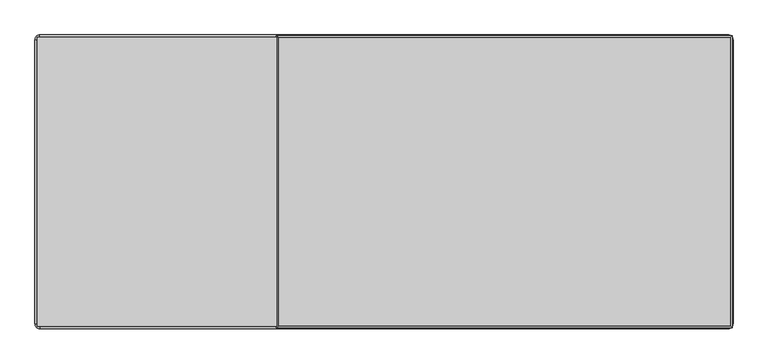
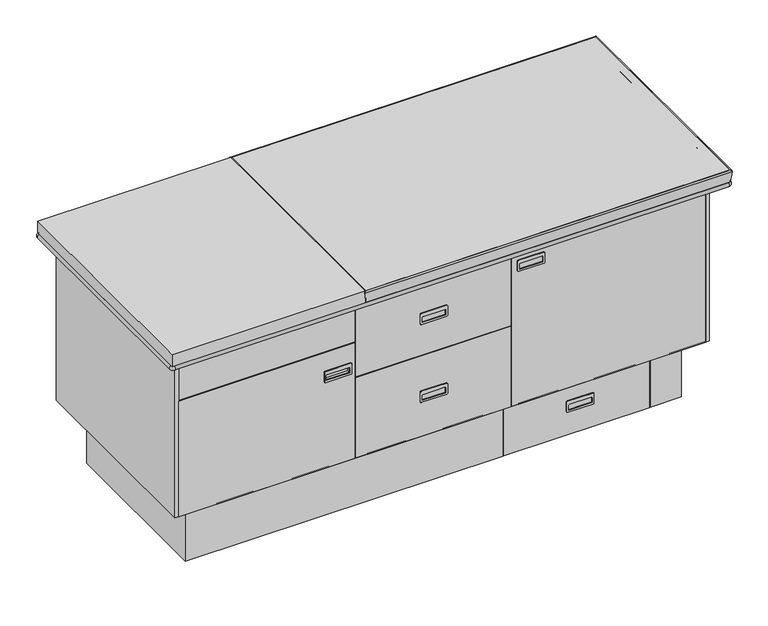
"""IFC4 building model written with IfcOpenShell, lengths in millimetres: furniture geometry."""

from ifc_helpers import new_model, si_unit, point, frame, frame_2d, origin, origin_with_axes, place, context, project, spatial, polyline, circle_curve, ellipse_curve, trimmed, segment, composite_curve, outline, extrude, faceted_brep, source, transform, mapped, element, save
from ifc_brep_helpers import plane_surface, cylinder_surface, revolved_surface, advanced_brep


def furniture_afdda818(model_context):
    return source(origin(), model_context, "Body", "SolidModel", [
        extrude(outline(composite_curve([segment(trimmed(circle_curve(frame_2d((82.6155996, 521.9484942)), 3.175), [point((79.4405996, 521.9484942))], [point((82.6155996, 525.1234942))], False, "CARTESIAN"), True, "CONTINUOUS"), segment(polyline([(82.6155996, 525.1234942), (114.3655996, 525.1234942)]), True, "CONTINUOUS"), segment(trimmed(circle_curve(frame_2d((114.3655996, 521.9484942)), 3.175), [point((114.3655996, 525.1234942))], [point((117.5405996, 521.9484942))], False, "CARTESIAN"), True, "CONTINUOUS"), segment(polyline([(117.5405996, 521.9484942), (117.5405996, 439.3984942)]), True, "CONTINUOUS"), segment(trimmed(circle_curve(frame_2d((114.3655996, 439.3984942)), 3.175), [point((117.5405996, 439.3984942))], [point((114.3655996, 436.2234942))], False, "CARTESIAN"), True, "CONTINUOUS"), segment(polyline([(114.3655996, 436.2234942), (82.6155996, 436.2234942)]), True, "CONTINUOUS"), segment(trimmed(circle_curve(frame_2d((82.6155996, 439.3984942)), 3.175), [point((82.6155996, 436.2234942))], [point((79.4405996, 439.3984942))], False, "CARTESIAN"), True, "CONTINUOUS"), segment(polyline([(79.4405996, 439.3984942), (79.4405996, 521.9484942)]), True, "CONTINUOUS")], self_intersect=False), holes=[composite_curve([segment(polyline([(85.7905996, 518.7734942), (85.7905996, 442.5734942), (101.6655996, 442.5734942)]), True, "CONTINUOUS"), segment(trimmed(circle_curve(frame_2d((101.6655996, 445.7484942)), 3.175), [point((101.6655996, 442.5734942))], [point((104.8405996, 445.7484942))], True, "CARTESIAN"), True, "CONTINUOUS"), segment(polyline([(104.8405996, 445.7484942), (104.8405996, 515.5984942)]), True, "CONTINUOUS"), segment(trimmed(circle_curve(frame_2d((101.6655996, 515.5984942)), 3.175), [point((104.8405996, 515.5984942))], [point((101.6655996, 518.7734942))], True, "CARTESIAN"), True, "CONTINUOUS"), segment(polyline([(101.6655996, 518.7734942), (85.7905996, 518.7734942)]), True, "CONTINUOUS")], self_intersect=False)]), frame((0.0, -282.575, 0.0), z_axis=(0.0, 1.0, 0.0), x_axis=(0.0, 0.0, 1.0)), (0.0, 0.0, 1.0), 3.175),
        advanced_brep(
        [(-279.4, 381.0, 771.525), (-279.4, 381.0, 812.7512583), (-279.4, -381.0, 812.7512583), (-279.4, -381.0, 771.525), (-283.9255753, 385.5255753, 808.382853), (-283.9255753, -385.5255753, 808.382853), (914.4, -381.0, 812.7512583), (914.4, -381.0, 771.525), (918.9255753, -385.5255753, 808.382853), (914.4, 381.0, 812.7512583), (914.4, 381.0, 771.525), (918.9255753, 385.5255753, 808.382853)],
        [
            (0, 1),
            (1, 2),
            (2, 3),
            (3, 0),
            (4, 0),
            (3, 5),
            (5, 4),
            (1, 4, ellipse_curve(frame((-280.0176138, 381.6176138, 808.8626904), z_axis=(-0.7071067811865475, -0.7071067811865475, 0.0), x_axis=(-0.7071067811865474, 0.7071067811865476, 0.0)), 5.5681967, 3.9373096)),
            (5, 2, ellipse_curve(frame((-280.0176138, -381.6176138, 808.8626904), z_axis=(-0.7071067811865475, 0.7071067811865475, 0.0), x_axis=(0.7071067811865474, 0.7071067811865476, 0.0)), 5.5681967, 3.9373096)),
            (2, 6),
            (6, 7),
            (7, 3),
            (7, 8),
            (8, 5),
            (8, 6, ellipse_curve(frame((915.0176138, -381.6176138, 808.8626904), z_axis=(-0.7071067811865475, -0.7071067811865475, 0.0), x_axis=(-0.7071067811865476, 0.7071067811865474, 0.0)), 5.5681967, 3.9373096)),
            (6, 9),
            (9, 10),
            (10, 7),
            (10, 11),
            (11, 8),
            (11, 9, ellipse_curve(frame((915.0176138, 381.6176138, 808.8626904), z_axis=(0.7071067811865475, -0.7071067811865475, 0.0), x_axis=(-0.7071067811865474, -0.7071067811865476, 0.0)), 5.5681967, 3.9373096)),
            (9, 1),
            (0, 10),
            (4, 11),
        ],
        [
            plane_surface(frame((-279.4, 381.0, 812.7512583), z_axis=(1.0, 0.0, 0.0), x_axis=(0.0, -1.0, 0.0))),
            plane_surface(frame((-279.4, 381.0, 771.525), z_axis=(-0.9925461516413222, 0.0, -0.12186934340514588), x_axis=(0.0, -1.0, 0.0))),
            cylinder_surface(frame((-280.0176138, 381.0, 808.8626904), z_axis=(0.0, 1.0, 0.0), x_axis=(-1.0, 0.0, 0.0)), 3.9373096),
            plane_surface(frame((-279.4, -381.0, 812.7512583), z_axis=(0.0, 1.0, 0.0), x_axis=(1.0, 0.0, 0.0))),
            plane_surface(frame((-279.4, -381.0, 771.525), z_axis=(0.0, -0.9925461516413222, -0.12186934340514588), x_axis=(1.0, 0.0, 0.0))),
            cylinder_surface(frame((-279.4, -381.6176138, 808.8626904), z_axis=(-1.0, 0.0, 0.0), x_axis=(0.0, -1.0, 0.0)), 3.9373096),
            plane_surface(frame((914.4, -381.0, 812.7512583), z_axis=(-1.0, 0.0, 0.0), x_axis=(0.0, 1.0, 0.0))),
            plane_surface(frame((914.4, -381.0, 771.525), z_axis=(0.9925461516413222, 0.0, -0.12186934340514588), x_axis=(0.0, 1.0, 0.0))),
            cylinder_surface(frame((915.0176138, -381.0, 808.8626904), z_axis=(0.0, -1.0, 0.0), x_axis=(1.0, 0.0, 0.0)), 3.9373096),
            plane_surface(frame((914.4, 381.0, 812.7512583), z_axis=(0.0, -1.0, 0.0), x_axis=(-1.0, 0.0, 0.0))),
            plane_surface(frame((914.4, 381.0, 771.525), z_axis=(0.0, 0.9925461516413222, -0.12186934340514588), x_axis=(-1.0, 0.0, 0.0))),
            cylinder_surface(frame((914.4, 381.6176138, 808.8626904), z_axis=(1.0, 0.0, 0.0), x_axis=(0.0, 1.0, 0.0)), 3.9373096),
        ],
        [
            (0, [[1, 2, 3, 4]]),
            (1, [[5, -4, 6, 7]]),
            (2, [[8, -7, 9, -2]]),
            (3, [[-3, 10, 11, 12]]),
            (4, [[-6, -12, 13, 14]]),
            (5, [[-9, -14, 15, -10]]),
            (6, [[-11, 16, 17, 18]]),
            (7, [[-13, -18, 19, 20]]),
            (8, [[-15, -20, 21, -16]]),
            (9, [[-17, 22, -1, 23]]),
            (10, [[-19, -23, -5, 24]]),
            (11, [[-21, -24, -8, -22]]),
        ],
    ),
        extrude(outline(polyline([(914.4, 381.0), (914.4, -381.0), (-914.4, -381.0), (-914.4, 381.0), (914.4, 381.0)])), frame((0.0, 0.0, 771.525), z_axis=(0.0, 0.0, 1.0), x_axis=(1.0, 0.0, 0.0)), (0.0, 0.0, 1.0), 41.275),
        extrude(outline(composite_curve([segment(polyline([(908.05, -381.0), (-908.05, -381.0)]), True, "CONTINUOUS"), segment(trimmed(circle_curve(frame_2d((-908.05, -374.65)), 6.35), [point((-908.05, -381.0))], [point((-914.4, -374.65))], False, "CARTESIAN"), True, "CONTINUOUS"), segment(polyline([(-914.4, -374.65), (-914.4, 374.65)]), True, "CONTINUOUS"), segment(trimmed(circle_curve(frame_2d((-908.05, 374.65)), 6.35), [point((-914.4, 374.65))], [point((-908.05, 381.0))], False, "CARTESIAN"), True, "CONTINUOUS"), segment(polyline([(-908.05, 381.0), (908.0250428, 381.0)]), True, "CONTINUOUS"), segment(trimmed(circle_curve(frame_2d((908.0250428, 374.6250428)), 6.3749572), [point((908.0250428, 381.0))], [point((914.4, 374.6250428))], False, "CARTESIAN"), True, "CONTINUOUS"), segment(polyline([(914.4, 374.6250428), (914.4, -374.65)]), True, "CONTINUOUS"), segment(trimmed(circle_curve(frame_2d((908.05, -374.65)), 6.35), [point((914.4, -374.65))], [point((908.05, -381.0))], False, "CARTESIAN"), True, "CONTINUOUS")], self_intersect=False)), frame((0.0, 0.0, 758.825), z_axis=(0.0, 0.0, 1.0), x_axis=(1.0, 0.0, 0.0)), (0.0, 0.0, 1.0), 12.7),
        advanced_brep(
        [(908.05, 381.0, 758.825), (914.4, 374.65, 758.825), (914.4, 374.65, 771.525), (908.05, 381.0, 771.525), (-908.05, 381.0, 771.525), (-908.05, 381.0, 758.825), (-914.4, 374.65, 758.825), (-914.4, 374.65, 771.525), (-914.4, -374.65, 771.525), (-914.4, -374.65, 758.825), (-908.05, -381.0, 758.825), (-908.05, -381.0, 771.525), (908.05, -381.0, 771.525), (908.05, -381.0, 758.825), (914.4, -374.65, 758.825), (914.4, -374.65, 771.525)],
        [
            (0, 1, circle_curve(frame((908.05, 374.65, 758.825), z_axis=(0.0, 0.0, -1.0), x_axis=(1.0, 0.0, 0.0)), 6.35)),
            (1, 2),
            (2, 3, circle_curve(frame((908.05, 374.65, 771.525), z_axis=(0.0, 0.0, 1.0), x_axis=(1.0, 0.0, 0.0)), 6.35)),
            (3, 0),
            (2, 1, circle_curve(frame((914.4, 374.65, 765.175), z_axis=(0.0, 1.0, 0.0), x_axis=(1.0, 0.0, 0.0)), 6.35)),
            (0, 3, circle_curve(frame((908.05, 381.0, 765.175), z_axis=(1.0, 0.0, 0.0), x_axis=(0.0, 1.0, 0.0)), 6.35)),
            (3, 4),
            (4, 5),
            (5, 0),
            (5, 4, circle_curve(frame((-908.05, 381.0, 765.175), z_axis=(1.0, 0.0, 0.0), x_axis=(0.0, 1.0, 0.0)), 6.35)),
            (6, 5, circle_curve(frame((-908.05, 374.65, 758.825), z_axis=(0.0, 0.0, -1.0), x_axis=(0.0, 1.0, 0.0)), 6.35)),
            (4, 7, circle_curve(frame((-908.05, 374.65, 771.525), z_axis=(0.0, 0.0, 1.0), x_axis=(0.0, 1.0, 0.0)), 6.35)),
            (7, 6),
            (6, 7, circle_curve(frame((-914.4, 374.65, 765.175), z_axis=(0.0, 1.0, 0.0), x_axis=(-1.0, 0.0, 0.0)), 6.35)),
            (7, 8),
            (8, 9),
            (9, 6),
            (9, 8, circle_curve(frame((-914.4, -374.65, 765.175), z_axis=(0.0, 1.0, 0.0), x_axis=(-1.0, 0.0, 0.0)), 6.35)),
            (10, 9, circle_curve(frame((-908.05, -374.65, 758.825), z_axis=(0.0, 0.0, -1.0), x_axis=(-1.0, 0.0, 0.0)), 6.35)),
            (8, 11, circle_curve(frame((-908.05, -374.65, 771.525), z_axis=(0.0, 0.0, 1.0), x_axis=(-1.0, 0.0, 0.0)), 6.35)),
            (11, 10),
            (10, 11, circle_curve(frame((-908.05, -381.0, 765.175), z_axis=(-1.0, 0.0, 0.0), x_axis=(0.0, -1.0, 0.0)), 6.35)),
            (11, 12),
            (12, 13),
            (13, 10),
            (13, 12, circle_curve(frame((908.05, -381.0, 765.175), z_axis=(-1.0, 0.0, 0.0), x_axis=(0.0, -1.0, 0.0)), 6.35)),
            (14, 13, circle_curve(frame((908.05, -374.65, 758.825), z_axis=(0.0, 0.0, -1.0), x_axis=(0.0, -1.0, 0.0)), 6.35)),
            (12, 15, circle_curve(frame((908.05, -374.65, 771.525), z_axis=(0.0, 0.0, 1.0), x_axis=(0.0, -1.0, 0.0)), 6.35)),
            (15, 14),
            (14, 15, circle_curve(frame((914.4, -374.65, 765.175), z_axis=(0.0, -1.0, 0.0), x_axis=(1.0, 0.0, 0.0)), 6.35)),
            (15, 2),
            (1, 14),
        ],
        [
            revolved_surface(polyline([(914.4, 374.65, 771.525), (914.4, 374.65, 758.825)]), (908.05, 374.65, 771.4841763), (0.0, 0.0, 1.0)),
            revolved_surface(trimmed(ellipse_curve(frame((914.4, 374.65, 765.175), z_axis=(0.0, -1.0, 0.0), x_axis=(1.0, 0.0, 0.0)), 6.35, 6.35), [point((914.4, 374.65, 758.825))], [point((914.4, 374.65, 771.525))], True, "CARTESIAN"), (908.05, 374.65, 771.4841763), (0.0, 0.0, 1.0)),
            plane_surface(frame((908.05, 381.0, 771.525), z_axis=(0.0, -1.0, 0.0), x_axis=(-1.0, 0.0, 0.0))),
            cylinder_surface(frame((908.05, 381.0, 765.175), z_axis=(1.0, 0.0, 0.0), x_axis=(0.0, 1.0, 0.0)), 6.35),
            revolved_surface(polyline([(-908.05, 381.0, 771.525), (-908.05, 381.0, 758.825)]), (-908.05, 374.65, 771.4841763), (0.0, 0.0, 1.0)),
            revolved_surface(trimmed(ellipse_curve(frame((-908.05, 381.0, 765.175), z_axis=(1.0, 0.0, 0.0), x_axis=(0.0, 1.0, 0.0)), 6.35, 6.35), [point((-908.05, 381.0, 758.825))], [point((-908.05, 381.0, 771.525))], True, "CARTESIAN"), (-908.05, 374.65, 771.4841763), (0.0, 0.0, 1.0)),
            plane_surface(frame((-914.4, 374.65, 771.525), z_axis=(1.0, 0.0, 0.0), x_axis=(0.0, -1.0, 0.0))),
            cylinder_surface(frame((-914.4, 374.65, 765.175), z_axis=(0.0, 1.0, 0.0), x_axis=(-1.0, 0.0, 0.0)), 6.35),
            revolved_surface(polyline([(-914.4, -374.65, 771.525), (-914.4, -374.65, 758.825)]), (-908.05, -374.65, 771.4841763), (0.0, 0.0, 1.0)),
            revolved_surface(trimmed(ellipse_curve(frame((-914.4, -374.65, 765.175), z_axis=(0.0, 1.0, 0.0), x_axis=(-1.0, 0.0, 0.0)), 6.35, 6.35), [point((-914.4, -374.65, 758.825))], [point((-914.4, -374.65, 771.525))], True, "CARTESIAN"), (-908.05, -374.65, 771.4841763), (0.0, 0.0, 1.0)),
            plane_surface(frame((-908.05, -381.0, 771.525), z_axis=(0.0, 1.0, 0.0), x_axis=(1.0, 0.0, 0.0))),
            cylinder_surface(frame((-908.05, -381.0, 765.175), z_axis=(-1.0, 0.0, 0.0), x_axis=(0.0, -1.0, 0.0)), 6.35),
            revolved_surface(polyline([(908.05, -381.0, 771.525), (908.05, -381.0, 758.825)]), (908.05, -374.65, 771.4841763), (0.0, 0.0, 1.0)),
            revolved_surface(trimmed(ellipse_curve(frame((908.05, -381.0, 765.175), z_axis=(-1.0, 0.0, 0.0), x_axis=(0.0, -1.0, 0.0)), 6.35, 6.35), [point((908.05, -381.0, 758.825))], [point((908.05, -381.0, 771.525))], True, "CARTESIAN"), (908.05, -374.65, 771.4841763), (0.0, 0.0, 1.0)),
            plane_surface(frame((914.4, -374.65, 771.525), z_axis=(-1.0, 0.0, 0.0), x_axis=(0.0, 1.0, 0.0))),
            cylinder_surface(frame((914.4, -374.65, 765.175), z_axis=(0.0, -1.0, 0.0), x_axis=(1.0, 0.0, 0.0)), 6.35),
        ],
        [
            (0, [[1, 2, 3, 4]]),
            (1, [[-3, 5, -1, 6]]),
            (2, [[-4, 7, 8, 9]]),
            (3, [[-6, -9, 10, -7]]),
            (4, [[11, -8, 12, 13]]),
            (5, [[-12, -10, -11, 14]]),
            (6, [[-13, 15, 16, 17]]),
            (7, [[-14, -17, 18, -15]]),
            (8, [[19, -16, 20, 21]]),
            (9, [[-20, -18, -19, 22]]),
            (10, [[-21, 23, 24, 25]]),
            (11, [[-22, -25, 26, -23]]),
            (12, [[27, -24, 28, 29]]),
            (13, [[-28, -26, -27, 30]]),
            (14, [[-29, 31, -2, 32]]),
            (15, [[-30, -32, -5, -31]]),
        ],
    ),
        extrude(outline(composite_curve([segment(trimmed(circle_curve(frame_2d((325.893814, 12.7)), 3.175), [point((322.718814, 12.7))], [point((325.893814, 15.875))], False, "CARTESIAN"), True, "CONTINUOUS"), segment(polyline([(325.893814, 15.875), (357.643814, 15.875)]), True, "CONTINUOUS"), segment(trimmed(circle_curve(frame_2d((357.643814, 12.7)), 3.175), [point((357.643814, 15.875))], [point((360.818814, 12.7))], False, "CARTESIAN"), True, "CONTINUOUS"), segment(polyline([(360.818814, 12.7), (360.818814, -69.85)]), True, "CONTINUOUS"), segment(trimmed(circle_curve(frame_2d((357.643814, -69.85)), 3.175), [point((360.818814, -69.85))], [point((357.643814, -73.025))], False, "CARTESIAN"), True, "CONTINUOUS"), segment(polyline([(357.643814, -73.025), (325.893814, -73.025)]), True, "CONTINUOUS"), segment(trimmed(circle_curve(frame_2d((325.893814, -69.85)), 3.175), [point((325.893814, -73.025))], [point((322.718814, -69.85))], False, "CARTESIAN"), True, "CONTINUOUS"), segment(polyline([(322.718814, -69.85), (322.718814, 12.7)]), True, "CONTINUOUS")], self_intersect=False), holes=[composite_curve([segment(polyline([(329.068814, 9.525), (329.068814, -66.675), (344.943814, -66.675)]), True, "CONTINUOUS"), segment(trimmed(circle_curve(frame_2d((344.943814, -63.5)), 3.175), [point((344.943814, -66.675))], [point((348.118814, -63.5))], True, "CARTESIAN"), True, "CONTINUOUS"), segment(polyline([(348.118814, -63.5), (348.118814, 6.35)]), True, "CONTINUOUS"), segment(trimmed(circle_curve(frame_2d((344.943814, 6.35)), 3.175), [point((348.118814, 6.35))], [point((344.943814, 9.525))], True, "CARTESIAN"), True, "CONTINUOUS"), segment(polyline([(344.943814, 9.525), (329.068814, 9.525)]), True, "CONTINUOUS")], self_intersect=False)]), frame((0.0, -333.375, 0.0), z_axis=(0.0, 1.0, 0.0), x_axis=(0.0, 0.0, 1.0)), (0.0, 0.0, 1.0), 3.175),
        extrude(outline(composite_curve([segment(trimmed(circle_curve(frame_2d((668.4188608, 331.6094765)), 3.175), [point((665.2438608, 331.6094765))], [point((668.4188608, 334.7844765))], False, "CARTESIAN"), True, "CONTINUOUS"), segment(polyline([(668.4188608, 334.7844765), (700.1688608, 334.7844765)]), True, "CONTINUOUS"), segment(trimmed(circle_curve(frame_2d((700.1688608, 331.6094765)), 3.175), [point((700.1688608, 334.7844765))], [point((703.3438608, 331.6094765))], False, "CARTESIAN"), True, "CONTINUOUS"), segment(polyline([(703.3438608, 331.6094765), (703.3438608, 249.0594765)]), True, "CONTINUOUS"), segment(trimmed(circle_curve(frame_2d((700.1688608, 249.0594765)), 3.175), [point((703.3438608, 249.0594765))], [point((700.1688608, 245.8844765))], False, "CARTESIAN"), True, "CONTINUOUS"), segment(polyline([(700.1688608, 245.8844765), (668.4188608, 245.8844765)]), True, "CONTINUOUS"), segment(trimmed(circle_curve(frame_2d((668.4188608, 249.0594765)), 3.175), [point((668.4188608, 245.8844765))], [point((665.2438608, 249.0594765))], False, "CARTESIAN"), True, "CONTINUOUS"), segment(polyline([(665.2438608, 249.0594765), (665.2438608, 331.6094765)]), True, "CONTINUOUS")], self_intersect=False), holes=[composite_curve([segment(polyline([(671.5938608, 328.4344765), (671.5938608, 252.2344765), (687.4688608, 252.2344765)]), True, "CONTINUOUS"), segment(trimmed(circle_curve(frame_2d((687.4688608, 255.4094765)), 3.175), [point((687.4688608, 252.2344765))], [point((690.6438608, 255.4094765))], True, "CARTESIAN"), True, "CONTINUOUS"), segment(polyline([(690.6438608, 255.4094765), (690.6438608, 325.2594765)]), True, "CONTINUOUS"), segment(trimmed(circle_curve(frame_2d((687.4688608, 325.2594765)), 3.175), [point((690.6438608, 325.2594765))], [point((687.4688608, 328.4344765))], True, "CARTESIAN"), True, "CONTINUOUS"), segment(polyline([(687.4688608, 328.4344765), (671.5938608, 328.4344765)]), True, "CONTINUOUS")], self_intersect=False)]), frame((0.0, -333.375, 0.0), z_axis=(0.0, 1.0, 0.0), x_axis=(0.0, 0.0, 1.0)), (0.0, 0.0, 1.0), 3.175),
        extrude(outline(polyline([(225.425, -330.2), (-282.575, -330.2), (-282.575, -317.5), (225.425, -317.5), (225.425, -330.2)])), frame((0.0, 0.0, 484.1875), z_axis=(0.0, 0.0, 1.0), x_axis=(1.0, 0.0, 0.0)), (0.0, 0.0, 1.0), 274.6375),
        extrude(outline(composite_curve([segment(trimmed(circle_curve(frame_2d((595.768814, 12.7)), 3.175), [point((592.593814, 12.7))], [point((595.768814, 15.875))], False, "CARTESIAN"), True, "CONTINUOUS"), segment(polyline([(595.768814, 15.875), (627.518814, 15.875)]), True, "CONTINUOUS"), segment(trimmed(circle_curve(frame_2d((627.518814, 12.7)), 3.175), [point((627.518814, 15.875))], [point((630.693814, 12.7))], False, "CARTESIAN"), True, "CONTINUOUS"), segment(polyline([(630.693814, 12.7), (630.693814, -69.85)]), True, "CONTINUOUS"), segment(trimmed(circle_curve(frame_2d((627.518814, -69.85)), 3.175), [point((630.693814, -69.85))], [point((627.518814, -73.025))], False, "CARTESIAN"), True, "CONTINUOUS"), segment(polyline([(627.518814, -73.025), (595.768814, -73.025)]), True, "CONTINUOUS"), segment(trimmed(circle_curve(frame_2d((595.768814, -69.85)), 3.175), [point((595.768814, -73.025))], [point((592.593814, -69.85))], False, "CARTESIAN"), True, "CONTINUOUS"), segment(polyline([(592.593814, -69.85), (592.593814, 12.7)]), True, "CONTINUOUS")], self_intersect=False), holes=[composite_curve([segment(polyline([(598.943814, 9.525), (598.943814, -66.675), (614.818814, -66.675)]), True, "CONTINUOUS"), segment(trimmed(circle_curve(frame_2d((614.818814, -63.5)), 3.175), [point((614.818814, -66.675))], [point((617.993814, -63.5))], True, "CARTESIAN"), True, "CONTINUOUS"), segment(polyline([(617.993814, -63.5), (617.993814, 6.35)]), True, "CONTINUOUS"), segment(trimmed(circle_curve(frame_2d((614.818814, 6.35)), 3.175), [point((617.993814, 6.35))], [point((614.818814, 9.525))], True, "CARTESIAN"), True, "CONTINUOUS"), segment(polyline([(614.818814, 9.525), (598.943814, 9.525)]), True, "CONTINUOUS")], self_intersect=False)]), frame((0.0, -333.375, 0.0), z_axis=(0.0, 1.0, 0.0), x_axis=(0.0, 0.0, 1.0)), (0.0, 0.0, 1.0), 3.175),
        extrude(outline(composite_curve([segment(trimmed(circle_curve(frame_2d((504.825, -301.625)), 3.175), [point((501.65, -301.625))], [point((504.825, -298.45))], False, "CARTESIAN"), True, "CONTINUOUS"), segment(polyline([(504.825, -298.45), (536.575, -298.45)]), True, "CONTINUOUS"), segment(trimmed(circle_curve(frame_2d((536.575, -301.625)), 3.175), [point((536.575, -298.45))], [point((539.75, -301.625))], False, "CARTESIAN"), True, "CONTINUOUS"), segment(polyline([(539.75, -301.625), (539.75, -384.175)]), True, "CONTINUOUS"), segment(trimmed(circle_curve(frame_2d((536.575, -384.175)), 3.175), [point((539.75, -384.175))], [point((536.575, -387.35))], False, "CARTESIAN"), True, "CONTINUOUS"), segment(polyline([(536.575, -387.35), (504.825, -387.35)]), True, "CONTINUOUS"), segment(trimmed(circle_curve(frame_2d((504.825, -384.175)), 3.175), [point((504.825, -387.35))], [point((501.65, -384.175))], False, "CARTESIAN"), True, "CONTINUOUS"), segment(polyline([(501.65, -384.175), (501.65, -301.625)]), True, "CONTINUOUS")], self_intersect=False), holes=[composite_curve([segment(polyline([(508.0, -304.8), (508.0, -381.0), (523.875, -381.0)]), True, "CONTINUOUS"), segment(trimmed(circle_curve(frame_2d((523.875, -377.825)), 3.175), [point((523.875, -381.0))], [point((527.05, -377.825))], True, "CARTESIAN"), True, "CONTINUOUS"), segment(polyline([(527.05, -377.825), (527.05, -307.975)]), True, "CONTINUOUS"), segment(trimmed(circle_curve(frame_2d((523.875, -307.975)), 3.175), [point((527.05, -307.975))], [point((523.875, -304.8))], True, "CARTESIAN"), True, "CONTINUOUS"), segment(polyline([(523.875, -304.8), (508.0, -304.8)]), True, "CONTINUOUS")], self_intersect=False)]), frame((0.0, -333.375, 0.0), z_axis=(0.0, 1.0, 0.0), x_axis=(0.0, 0.0, 1.0)), (0.0, 0.0, 1.0), 3.175),
        faceted_brep([(-285.75, -330.2, 603.25), (-863.6, -330.2, 603.25), (-863.6, -330.2, 203.2), (-285.75, -330.2, 203.2), (-381.0, -330.2, 533.4), (-304.8, -330.2, 533.4), (-304.8, -330.2, 508.0), (-381.0, -330.2, 508.0), (-285.75, -317.5, 603.25), (-285.75, -317.5, 203.2), (-863.6, -317.5, 203.2), (-863.6, -317.5, 603.25), (-304.8, -320.675, 533.4), (-381.0, -320.675, 533.4), (-381.0, -320.675, 508.0), (-304.8, -320.675, 508.0)], [[[0, 1, 2, 3], [4, 5, 6, 7]], [[8, 9, 10, 11]], [[1, 0, 8, 11]], [[2, 1, 11, 10]], [[3, 2, 10, 9]], [[0, 3, 9, 8]], [[12, 13, 14, 15]], [[13, 12, 5, 4]], [[14, 13, 4, 7]], [[15, 14, 7, 6]], [[12, 15, 6, 5]]]),
        extrude(outline(polyline([(863.6, 330.2), (-863.6, 330.2), (-863.6, -330.2), (-876.3, -330.2), (-876.3, 342.9), (876.3, 342.9), (876.3, -330.2), (863.6, -330.2), (863.6, 330.2)])), frame((0.0, 0.0, 203.2), z_axis=(0.0, 0.0, 1.0), x_axis=(1.0, 0.0, 0.0)), (0.0, 0.0, 1.0), 555.625),
        extrude(outline(polyline([(863.6, -330.2), (228.6, -330.2), (228.6, -317.5), (863.6, -317.5), (863.6, -330.2)])), frame((0.0, 0.0, 203.2), z_axis=(0.0, 0.0, 1.0), x_axis=(1.0, 0.0, 0.0)), (0.0, 0.0, 1.0), 555.625),
        extrude(outline(polyline([(-285.75, -330.2), (-863.6, -330.2), (-863.6, -317.5), (-285.75, -317.5), (-285.75, -330.2)])), frame((0.0, 0.0, 606.425), z_axis=(0.0, 0.0, 1.0), x_axis=(1.0, 0.0, 0.0)), (0.0, 0.0, 1.0), 152.4),
        extrude(outline(polyline([(225.425, -330.2), (-282.575, -330.2), (-282.575, -317.5), (225.425, -317.5), (225.425, -330.2)])), frame((0.0, 0.0, 203.2), z_axis=(0.0, 0.0, 1.0), x_axis=(1.0, 0.0, 0.0)), (0.0, 0.0, 1.0), 277.8125),
        extrude(outline(polyline([(863.6, 330.2), (863.6, -330.2), (-863.6, -330.2), (-863.6, 330.2), (863.6, 330.2)]), holes=[polyline([(-812.8, 279.4), (-812.8, -279.4), (812.8, -279.4), (812.8, 279.4), (-812.8, 279.4)])]), frame((0.0, 0.0, 203.2), z_axis=(0.0, 0.0, 1.0), x_axis=(1.0, 0.0, 0.0)), (0.0, 0.0, 1.0), 3.175),
        extrude(outline(polyline([(231.775, -254.0), (708.025, -254.0), (708.025, -279.4), (231.775, -279.4), (231.775, -254.0)])), origin_with_axes(), (0.0, 0.0, 1.0), 203.2),
        extrude(outline(polyline([(-812.8, 279.4), (812.8, 279.4), (812.8, -279.4), (711.2, -279.4), (711.2, -254.0), (787.4, -254.0), (787.4, 254.0), (-787.4, 254.0), (-787.4, -254.0), (228.6, -254.0), (228.6, -279.4), (-812.8, -279.4), (-812.8, 279.4)])), origin_with_axes(), (0.0, 0.0, 1.0), 203.2),
    ])


if __name__ == "__main__":
    model = new_model("IFC4")
    model_context = context("Model", 3, world=origin())
    ifc_project = project(units=[si_unit("LENGTHUNIT", "METRE", prefix="MILLI")], contexts=[model_context])
    site = spatial("IfcSite", under=ifc_project)
    building = spatial("IfcBuilding", under=site)
    placement = place(None, origin())
    furniture_shape = furniture_afdda818(model_context)
    element("IfcFurniture", 1, at=placement, inside=building, context=model_context, shape_type="MappedRepresentation", body=[
        mapped(furniture_shape, transform((0.0, 0.0, 0.0), x_axis=(1.0, 0.0, 0.0), y_axis=(0.0, 1.0, 0.0), z_axis=(0.0, 0.0, 1.0))),
    ])
    save(model, "model.ifc")
